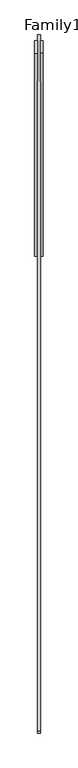
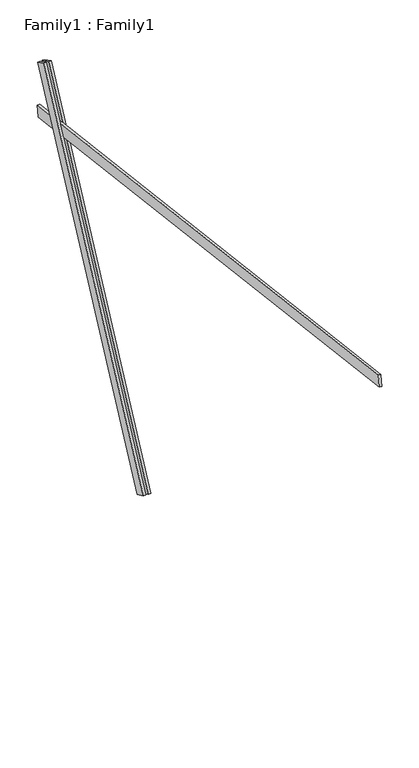
"""IFC4 building model written with IfcOpenShell, lengths in millimetres: proxy geometry, Family1 : Family1."""

from ifc_helpers import new_model, si_unit, frame, origin, place, context, project, spatial, polyline, outline, extrude, source, transform, mapped, element, save


def family1_family1_0cfbde91(model_context):
    return source(origin(), model_context, "Body", "SweptSolid", [
        extrude(outline(polyline([(0.0, 0.0), (0.0, -20.0), (-100.0000001, -20.0), (-100.0000001, 0.0), (0.0, 0.0)])), frame((-30.0, 46.3241747, -22.5938096), z_axis=(0.0, 0.4383711467890692, 0.8987940462991711), x_axis=(0.0, 0.8987940462991711, -0.4383711467890692)), (0.0, 0.0, 1.0), 3300.0),
        extrude(outline(polyline([(0.0, 0.0), (0.0, -20.0), (-99.9999999, -20.0), (-99.9999999, 0.0), (0.0, 0.0)])), frame((10.0, 45.270232, -22.0797674), z_axis=(0.0, 0.4383711467890692, 0.8987940462991711), x_axis=(0.0, 0.8987940462991711, -0.4383711467890692)), (0.0, 0.0, 1.0), 3300.0),
        extrude(outline(polyline([(0.0, -20.0), (0.0, 0.0), (5000.0, 0.0), (5000.0, -20.0), (0.0, -20.0)])), frame((-10.0, -3441.8965746, 3039.5701825), z_axis=(0.0, 0.12186934340515004, 0.9925461516413218), x_axis=(0.0, 0.9925461516413218, -0.12186934340515004)), (0.0, 0.0, 1.0), 100.0),
    ])


if __name__ == "__main__":
    model = new_model("IFC4")
    model_context = context("Model", 3, world=origin())
    ifc_project = project(units=[si_unit("LENGTHUNIT", "METRE", prefix="MILLI")], contexts=[model_context])
    site = spatial("IfcSite", under=ifc_project)
    building = spatial("IfcBuilding", under=site)
    placement = place(None, origin())
    family1_family1_shape = family1_family1_0cfbde91(model_context)
    element("IfcBuildingElementProxy", 1, Name="Family1 : Family1", ObjectType="Family1 : Family1", at=placement, inside=building, context=model_context, shape_type="MappedRepresentation", body=[
        mapped(family1_family1_shape, transform((0.0, 0.0, 0.0), x_axis=(1.0, 0.0, 0.0), y_axis=(0.0, 1.0, 0.0), z_axis=(0.0, 0.0, 1.0))),
    ])
    save(model, "model.ifc")
